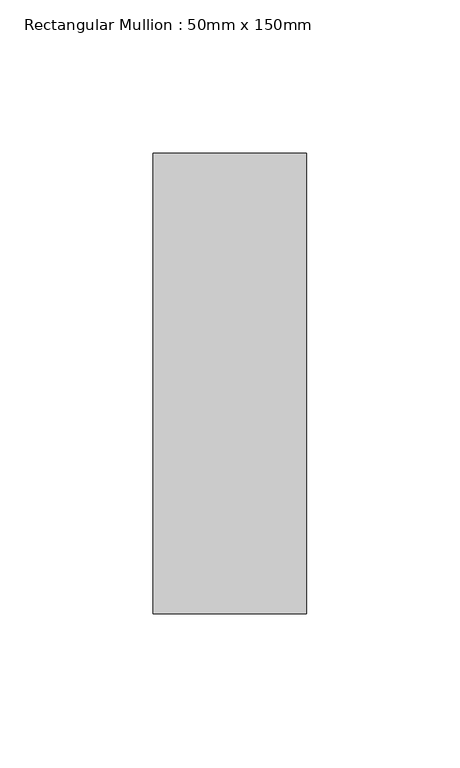
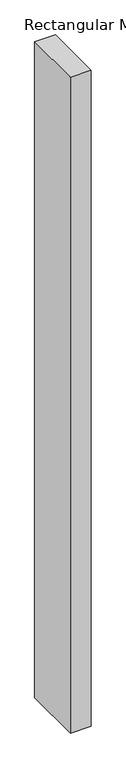
"""IFC4 building model written with IfcOpenShell, lengths in millimetres: member geometry, Rectangular Mullion : 50mm x 150mm."""

from ifc_helpers import new_model, si_unit, frame, origin, place, context, project, spatial, polyline, outline, extrude, source, transform, mapped, element, save


def rectangular_mullion_50mm_x_150mm_3da833a2(model_context):
    return source(origin(), model_context, "Body", "SweptSolid", [
        extrude(outline(polyline([(0.0, 75.0), (0.0, -75.0), (-50.0, -75.0), (-50.0, 75.0), (0.0, 75.0)])), frame((0.0, 0.0, -1677.9999999), z_axis=(0.0, 0.0, 1.0), x_axis=(1.0, 0.0, 0.0)), (0.0, 0.0, 1.0), 1677.9999999),
    ])


if __name__ == "__main__":
    model = new_model("IFC4")
    model_context = context("Model", 3, world=origin())
    ifc_project = project(units=[si_unit("LENGTHUNIT", "METRE", prefix="MILLI")], contexts=[model_context])
    site = spatial("IfcSite", under=ifc_project)
    building = spatial("IfcBuilding", under=site)
    placement = place(None, origin())
    rectangular_mullion_50mm_x_150mm_shape = rectangular_mullion_50mm_x_150mm_3da833a2(model_context)
    element("IfcMember", 1, ObjectType="Rectangular Mullion : 50mm x 150mm", at=placement, inside=building, context=model_context, shape_type="MappedRepresentation", body=[
        mapped(rectangular_mullion_50mm_x_150mm_shape, transform((0.0, 0.0, 0.0), x_axis=(1.0, 0.0, 0.0), y_axis=(0.0, 1.0, 0.0), z_axis=(0.0, 0.0, 1.0))),
    ])
    save(model, "model.ifc")
